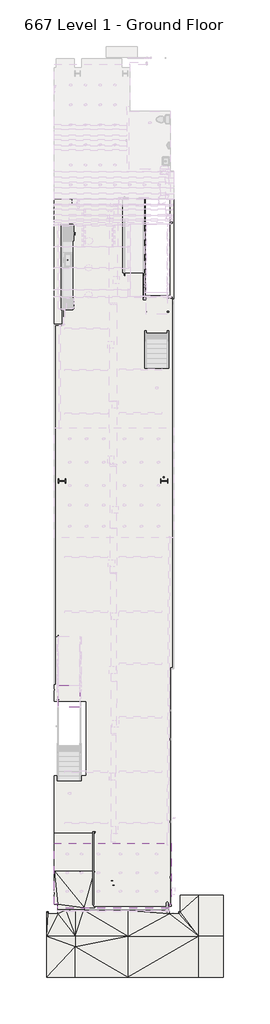
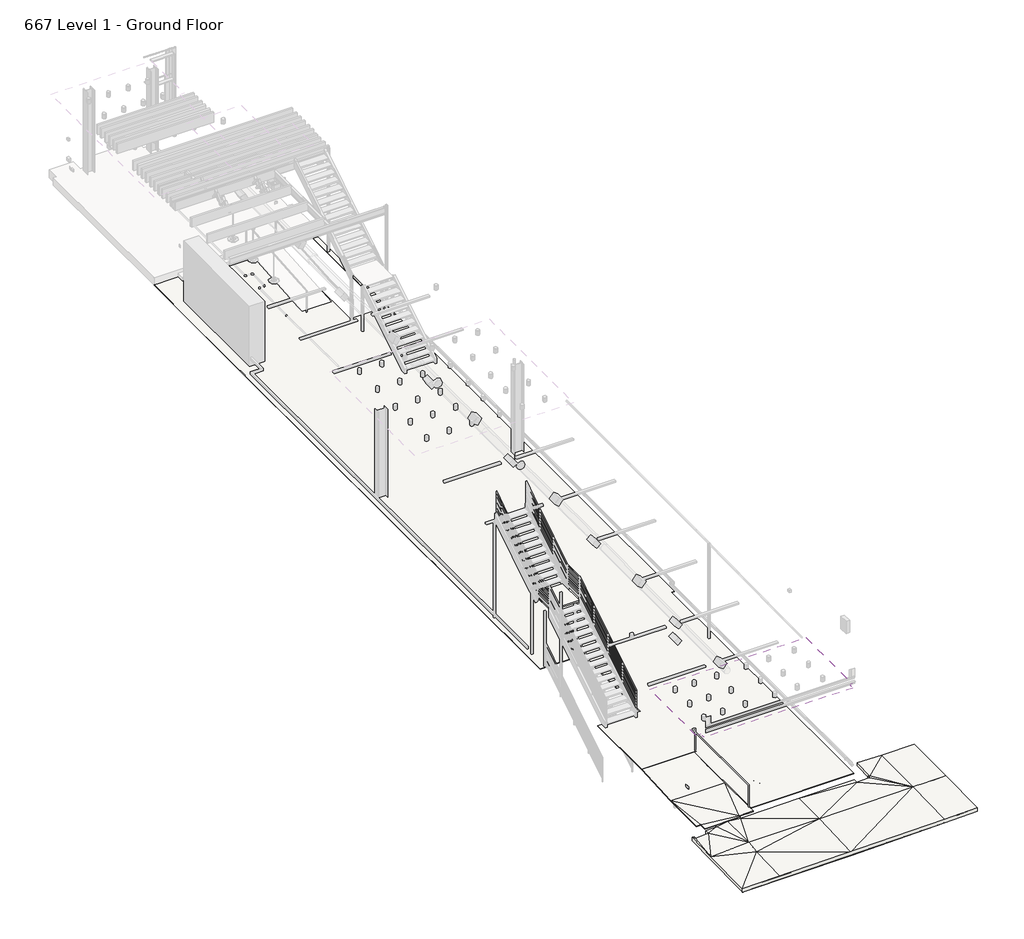
# One storey, part 7 of 16: 4 slabs, 1 covering.
"""IFC4 building model written with IfcOpenShell, lengths in millimetres."""

from ifc_helpers import new_model, si_unit, point, frame, frame_2d, origin, place, context, project, spatial, polyline, circle_curve, trimmed, segment, composite_curve, outline, extrude, faceted_brep, element, save
from ifc_brep_helpers import plane_surface, spline_surface, advanced_brep

model = new_model("IFC4")

# Units and contexts
model_context = context("Model", 3, world=origin())
ifc_project = project(units=[si_unit("LENGTHUNIT", "METRE", prefix="MILLI")], contexts=[model_context])

# Site, building, storey
site = spatial("IfcSite", under=ifc_project)
building = spatial("IfcBuilding", under=site)
storey = spatial("IfcBuildingStorey", under=building, Name="667 Level 1 - Ground Floor", Elevation=-11277.6)

# Covering
placement = place(None, origin())
element("IfcCovering", 1, at=placement, inside=storey, context=model_context, shape_type="SweptSolid", body=[
    extrude(outline(polyline([(-5477.4969605, -5492.0821957), (-5477.4969605, -8957.2811541), (-5602.0457962, -8957.2811541), (-5602.0457962, -9198.5811541), (-11973.5469605, -9198.5811541), (-11973.5469605, -8957.2811541), (-12170.3969605, -8957.2811541), (-12170.3969605, -5492.0821957), (-5477.4969605, -5492.0821957)]), holes=[composite_curve([segment(trimmed(circle_curve(frame_2d((-11421.4298286, -6096.7587959)), 75.0), [point((-11496.4298286, -6096.7587959))], [point((-11346.4298286, -6096.7587959))], True, "CARTESIAN"), True, "CONTINUOUS"), segment(trimmed(circle_curve(frame_2d((-11421.4298286, -6096.7587959)), 75.0), [point((-11346.4298286, -6096.7587959))], [point((-11496.4298286, -6096.7587959))], True, "CARTESIAN"), True, "CONTINUOUS")], self_intersect=False), composite_curve([segment(trimmed(circle_curve(frame_2d((-10608.6298286, -6096.7587959)), 75.0), [point((-10683.6298286, -6096.7587959))], [point((-10533.6298286, -6096.7587959))], True, "CARTESIAN"), True, "CONTINUOUS"), segment(trimmed(circle_curve(frame_2d((-10608.6298286, -6096.7587959)), 75.0), [point((-10533.6298286, -6096.7587959))], [point((-10683.6298286, -6096.7587959))], True, "CARTESIAN"), True, "CONTINUOUS")], self_intersect=False), composite_curve([segment(trimmed(circle_curve(frame_2d((-9643.4298286, -6096.7587959)), 75.0), [point((-9718.4298286, -6096.7587959))], [point((-9568.4298286, -6096.7587959))], True, "CARTESIAN"), True, "CONTINUOUS"), segment(trimmed(circle_curve(frame_2d((-9643.4298286, -6096.7587959)), 75.0), [point((-9568.4298286, -6096.7587959))], [point((-9718.4298286, -6096.7587959))], True, "CARTESIAN"), True, "CONTINUOUS")], self_intersect=False), composite_curve([segment(trimmed(circle_curve(frame_2d((-8386.1298286, -6096.7587959)), 75.0), [point((-8461.1298286, -6096.7587959))], [point((-8311.1298286, -6096.7587959))], True, "CARTESIAN"), True, "CONTINUOUS"), segment(trimmed(circle_curve(frame_2d((-8386.1298286, -6096.7587959)), 75.0), [point((-8311.1298286, -6096.7587959))], [point((-8461.1298286, -6096.7587959))], True, "CARTESIAN"), True, "CONTINUOUS")], self_intersect=False), composite_curve([segment(trimmed(circle_curve(frame_2d((-7420.9298286, -6096.7587959)), 75.0), [point((-7495.9298286, -6096.7587959))], [point((-7345.9298286, -6096.7587959))], True, "CARTESIAN"), True, "CONTINUOUS"), segment(trimmed(circle_curve(frame_2d((-7420.9298286, -6096.7587959)), 75.0), [point((-7345.9298286, -6096.7587959))], [point((-7495.9298286, -6096.7587959))], True, "CARTESIAN"), True, "CONTINUOUS")], self_intersect=False), composite_curve([segment(trimmed(circle_curve(frame_2d((-6328.7298286, -6096.7587959)), 75.0), [point((-6403.7298286, -6096.7587959))], [point((-6253.7298286, -6096.7587959))], True, "CARTESIAN"), True, "CONTINUOUS"), segment(trimmed(circle_curve(frame_2d((-6328.7298286, -6096.7587959)), 75.0), [point((-6253.7298286, -6096.7587959))], [point((-6403.7298286, -6096.7587959))], True, "CARTESIAN"), True, "CONTINUOUS")], self_intersect=False), composite_curve([segment(trimmed(circle_curve(frame_2d((-11421.4298286, -7169.9087959)), 75.0), [point((-11496.4298286, -7169.9087959))], [point((-11346.4298286, -7169.9087959))], True, "CARTESIAN"), True, "CONTINUOUS"), segment(trimmed(circle_curve(frame_2d((-11421.4298286, -7169.9087959)), 75.0), [point((-11346.4298286, -7169.9087959))], [point((-11496.4298286, -7169.9087959))], True, "CARTESIAN"), True, "CONTINUOUS")], self_intersect=False), composite_curve([segment(trimmed(circle_curve(frame_2d((-10608.6298286, -7169.9087959)), 75.0), [point((-10683.6298286, -7169.9087959))], [point((-10533.6298286, -7169.9087959))], True, "CARTESIAN"), True, "CONTINUOUS"), segment(trimmed(circle_curve(frame_2d((-10608.6298286, -7169.9087959)), 75.0), [point((-10533.6298286, -7169.9087959))], [point((-10683.6298286, -7169.9087959))], True, "CARTESIAN"), True, "CONTINUOUS")], self_intersect=False), composite_curve([segment(trimmed(circle_curve(frame_2d((-9643.4298286, -7169.9087959)), 75.0), [point((-9718.4298286, -7169.9087959))], [point((-9568.4298286, -7169.9087959))], True, "CARTESIAN"), True, "CONTINUOUS"), segment(trimmed(circle_curve(frame_2d((-9643.4298286, -7169.9087959)), 75.0), [point((-9568.4298286, -7169.9087959))], [point((-9718.4298286, -7169.9087959))], True, "CARTESIAN"), True, "CONTINUOUS")], self_intersect=False), composite_curve([segment(trimmed(circle_curve(frame_2d((-8386.1298286, -7169.9087959)), 75.0), [point((-8461.1298286, -7169.9087959))], [point((-8311.1298286, -7169.9087959))], True, "CARTESIAN"), True, "CONTINUOUS"), segment(trimmed(circle_curve(frame_2d((-8386.1298286, -7169.9087959)), 75.0), [point((-8311.1298286, -7169.9087959))], [point((-8461.1298286, -7169.9087959))], True, "CARTESIAN"), True, "CONTINUOUS")], self_intersect=False), composite_curve([segment(trimmed(circle_curve(frame_2d((-7420.9298286, -7169.9087959)), 75.0), [point((-7495.9298286, -7169.9087959))], [point((-7345.9298286, -7169.9087959))], True, "CARTESIAN"), True, "CONTINUOUS"), segment(trimmed(circle_curve(frame_2d((-7420.9298286, -7169.9087959)), 75.0), [point((-7345.9298286, -7169.9087959))], [point((-7495.9298286, -7169.9087959))], True, "CARTESIAN"), True, "CONTINUOUS")], self_intersect=False), composite_curve([segment(trimmed(circle_curve(frame_2d((-6328.7298286, -7169.9087959)), 75.0), [point((-6403.7298286, -7169.9087959))], [point((-6253.7298286, -7169.9087959))], True, "CARTESIAN"), True, "CONTINUOUS"), segment(trimmed(circle_curve(frame_2d((-6328.7298286, -7169.9087959)), 75.0), [point((-6253.7298286, -7169.9087959))], [point((-6403.7298286, -7169.9087959))], True, "CARTESIAN"), True, "CONTINUOUS")], self_intersect=False), composite_curve([segment(trimmed(circle_curve(frame_2d((-11421.4298286, -8217.6587959)), 75.0), [point((-11496.4298286, -8217.6587959))], [point((-11346.4298286, -8217.6587959))], True, "CARTESIAN"), True, "CONTINUOUS"), segment(trimmed(circle_curve(frame_2d((-11421.4298286, -8217.6587959)), 75.0), [point((-11346.4298286, -8217.6587959))], [point((-11496.4298286, -8217.6587959))], True, "CARTESIAN"), True, "CONTINUOUS")], self_intersect=False), composite_curve([segment(trimmed(circle_curve(frame_2d((-10608.6298286, -8217.6587959)), 75.0), [point((-10683.6298286, -8217.6587959))], [point((-10533.6298286, -8217.6587959))], True, "CARTESIAN"), True, "CONTINUOUS"), segment(trimmed(circle_curve(frame_2d((-10608.6298286, -8217.6587959)), 75.0), [point((-10533.6298286, -8217.6587959))], [point((-10683.6298286, -8217.6587959))], True, "CARTESIAN"), True, "CONTINUOUS")], self_intersect=False), composite_curve([segment(trimmed(circle_curve(frame_2d((-9643.4298286, -8217.6587959)), 75.0), [point((-9718.4298286, -8217.6587959))], [point((-9568.4298286, -8217.6587959))], True, "CARTESIAN"), True, "CONTINUOUS"), segment(trimmed(circle_curve(frame_2d((-9643.4298286, -8217.6587959)), 75.0), [point((-9568.4298286, -8217.6587959))], [point((-9718.4298286, -8217.6587959))], True, "CARTESIAN"), True, "CONTINUOUS")], self_intersect=False), composite_curve([segment(trimmed(circle_curve(frame_2d((-8386.1298286, -8217.6587959)), 75.0), [point((-8461.1298286, -8217.6587959))], [point((-8311.1298286, -8217.6587959))], True, "CARTESIAN"), True, "CONTINUOUS"), segment(trimmed(circle_curve(frame_2d((-8386.1298286, -8217.6587959)), 75.0), [point((-8311.1298286, -8217.6587959))], [point((-8461.1298286, -8217.6587959))], True, "CARTESIAN"), True, "CONTINUOUS")], self_intersect=False), composite_curve([segment(trimmed(circle_curve(frame_2d((-7420.9298286, -8217.6587959)), 75.0), [point((-7495.9298286, -8217.6587959))], [point((-7345.9298286, -8217.6587959))], True, "CARTESIAN"), True, "CONTINUOUS"), segment(trimmed(circle_curve(frame_2d((-7420.9298286, -8217.6587959)), 75.0), [point((-7345.9298286, -8217.6587959))], [point((-7495.9298286, -8217.6587959))], True, "CARTESIAN"), True, "CONTINUOUS")], self_intersect=False), composite_curve([segment(trimmed(circle_curve(frame_2d((-6328.7298286, -8217.6587959)), 75.0), [point((-6403.7298286, -8217.6587959))], [point((-6253.7298286, -8217.6587959))], True, "CARTESIAN"), True, "CONTINUOUS"), segment(trimmed(circle_curve(frame_2d((-6328.7298286, -8217.6587959)), 75.0), [point((-6253.7298286, -8217.6587959))], [point((-6403.7298286, -8217.6587959))], True, "CARTESIAN"), True, "CONTINUOUS")], self_intersect=False)]), frame((0.0, 0.0, -7289.8), z_axis=(0.0, 0.0, 1.0), x_axis=(1.0, 0.0, 0.0)), (0.0, 0.0, 1.0), 50.8),
])

# Slabs
element("IfcSlab", 2, ObjectType="Generic - 1\"", at=placement, inside=storey, context=model_context, shape_type="Brep", body=[
    faceted_brep([(-5350.4969605, 4474.7745636, -11303.0), (-5350.4969605, 4474.7745636, -11277.6), (-5477.4969605, 4474.7745636, -11277.6), (-5477.4969605, 4474.7745636, -11303.0), (-5477.4969605, -7797.1483373, -11277.6), (-5477.4969605, -8957.2811541, -11277.6), (-5477.4969605, -9071.5811541, -11277.6), (-5477.4969605, -9071.5811541, -11303.0), (-5477.4969605, -8957.2811541, -11303.0), (-5477.4969605, -7797.1483373, -11303.0), (-9909.7969605, -9071.5811541, -11277.6), (-9909.7969605, -9071.5811541, -11303.0), (-12170.3969605, -4909.9569611, -11303.0), (-12170.3969605, -4909.9569611, -11277.6), (-12170.3969605, -1630.3647256, -11277.6), (-12170.3969605, -1630.3647256, -11303.0), (-12170.3969605, 31297.2171092, -11303.0), (-12170.3969605, 31297.2171092, -11277.6), (-11992.5969605, 31297.2171092, -11277.6), (-11192.4969605, 31297.2171092, -11277.6), (-11141.6969605, 31297.2171092, -11277.6), (-9435.7540147, 31297.2171092, -11277.6), (-9321.4540147, 31297.2171092, -11277.6), (-7077.6969605, 31297.2171092, -11277.6), (-6966.2378909, 31297.2171092, -11277.6), (-6966.2378909, 31297.2171092, -11303.0), (-9321.4540147, 31297.2171092, -11303.0), (-9435.7540147, 31297.2171092, -11303.0), (-11992.5969605, 31297.2171092, -11303.0), (-6966.2378909, 25755.1812528, -11277.6), (-6966.2378909, 25755.1812528, -11303.0), (-5536.6283899, 25755.1812528, -11277.6), (-5536.6283899, 25755.1812528, -11303.0), (-5350.4969605, 31297.2171092, -11303.0), (-5350.4969605, 31297.2171092, -11277.6), (-10350.8837216, -1630.3647256, -11277.6), (-10350.8837216, -1630.3647256, -11303.0), (-10350.8837216, 2617.7852744, -11277.6), (-10350.8837216, 2617.7852744, -11303.0), (-12170.3969605, 2617.7852744, -11277.6), (-12170.3969605, 2617.7852744, -11303.0), (-12170.3969605, 24138.9188459, -11277.6), (-12170.3969605, 24189.7188459, -11277.6), (-12170.3969605, 24875.5188459, -11277.6), (-12170.3969605, 24926.3188459, -11277.6), (-12170.3969605, 25009.3220937, -11277.6), (-12170.3969605, 29828.5188459, -11277.6), (-12170.3969605, 29879.3188459, -11277.6), (-12170.3969605, 25009.3220937, -11303.0), (-9909.7969605, -4909.9569611, -11277.6), (-9909.7969605, -4909.9569611, -11303.0), (-5536.6283899, 31297.2171092, -11277.6), (-5536.6283899, 31297.2171092, -11303.0)], [[[0, 1, 2, 3]], [[3, 2, 4, 5, 6, 7, 8, 9]], [[7, 6, 10, 11]], [[12, 13, 14, 15]], [[16, 17, 18, 19, 20, 21, 22, 23, 24, 25, 26, 27, 28]], [[25, 24, 29, 30]], [[30, 29, 31, 32]], [[33, 34, 1, 0]], [[15, 14, 35, 36]], [[36, 35, 37, 38]], [[38, 37, 39, 40]], [[40, 39, 41, 42, 43, 44, 45, 46, 47, 17, 16, 48]], [[11, 10, 49, 50]], [[50, 49, 13, 12]], [[32, 31, 51, 52]], [[52, 51, 34, 33]], [[29, 24, 23, 22, 21, 20, 19, 18, 17, 47, 46, 45, 44, 43, 42, 41, 39, 37, 35, 14, 13, 49, 10, 6, 5, 4, 2, 1, 34, 51, 31]], [[30, 32, 52, 33, 0, 3, 9, 8, 7, 11, 50, 12, 15, 36, 38, 40, 48, 16, 28, 27, 26, 25]]]),
])
element("IfcSlab", 3, ObjectType="Generic - 1\"", at=placement, inside=storey, context=model_context, shape_type="Brep", body=[
    faceted_brep([(-12170.3969605, -4909.9569611, -11303.0093103), (-12170.3969605, -4909.9569611, -11277.6093103), (-9839.9469605, -4909.9569611, -11277.6093103), (-9839.9469605, -4909.9569611, -11303.0093103), (-9839.9469605, -7045.932765, -11400.8017567), (-9839.9469605, -9147.7811541, -11406.8641951), (-9839.9469605, -9147.7811541, -11432.2641951), (-9839.9469605, -7045.9311541, -11426.2296875), (-10440.0219605, -9147.7811541, -11406.8820312), (-10440.0219605, -9147.7811541, -11432.2820312), (-11973.5469605, -8957.2811541, -11432.2820312), (-11973.5469605, -8957.2811541, -11406.8820312), (-12170.3969605, -8957.2811541, -11406.8820312), (-12170.3969605, -8957.2811541, -11432.2820312), (-12170.3969605, -7045.9311541, -11400.7923225), (-12170.3969605, -7045.9306171, -11426.2016328), (-10440.0219605, -9237.9458951, -11406.8820312), (-10440.0219605, -9237.9458951, -11432.2820312), (-11973.5469605, -9237.9458951, -11406.8820312), (-11973.5469605, -9237.9458951, -11432.2820312)], [[[0, 1, 2, 3]], [[3, 2, 4, 5, 6, 7]], [[6, 5, 8, 9]], [[10, 11, 12, 13]], [[13, 12, 14, 1, 0, 15]], [[2, 1, 14, 4]], [[3, 7, 15, 0]], [[9, 8, 16, 17]], [[17, 16, 18, 19]], [[19, 18, 11, 10]], [[12, 11, 14]], [[14, 11, 8]], [[11, 18, 16, 8]], [[5, 4, 8]], [[14, 8, 4]], [[13, 15, 10]], [[15, 9, 10]], [[10, 9, 17, 19]], [[6, 9, 7]], [[15, 7, 9]]]),
])
element("IfcSlab", 4, ObjectType="Generic - 2\"", at=placement, inside=storey, context=model_context, shape_type="SweptSolid", body=[
    extrude(outline(polyline([(-10702.1997157, 2281.6451095), (-11921.3997157, 2281.6451095), (-11921.3997157, 3526.2451095), (-10702.1997157, 3526.2451095), (-10702.1997157, 2281.6451095)])), frame((0.0, 0.0, -8547.1), z_axis=(0.0, 0.0, 1.0), x_axis=(1.0, 0.0, 0.0)), (0.0, 0.0, 1.0), 50.8),
])
element("IfcSlab", 5, ObjectType="Generic - 6\"", at=placement, inside=storey, context=model_context, shape_type="AdvancedBrep", body=[
    advanced_brep(
    [(-12602.1969605, -13136.4998984, -11696.7), (-12602.1969605, -13136.4998984, -11544.3), (-12602.1969605, -10794.3628033, -11506.2), (-12602.1969605, -9389.0811541, -11493.5), (-12602.1969605, -9389.0811541, -11645.9), (-12602.1969605, -10794.3628033, -11658.6), (-12602.1969605, -12822.1748984, -11691.586814), (-12602.1969605, -13126.9748984, -11696.545055), (-11973.5469605, -9312.8811541, -11607.8), (-11973.5469605, -9312.8811541, -11455.4), (-11494.1219605, -9312.8811541, -11436.35), (-11494.1219605, -9312.8811541, -11588.75), (-4969.4969605, -8453.2569611, -11337.925), (-4969.4969605, -8453.2569611, -11490.325), (-4969.4969605, -9376.3811541, -11518.9), (-4969.4969605, -9376.3811541, -11366.5), (-3929.0178589, -8453.2569611, -11372.85), (-2531.0969605, -8453.2569611, -11353.8), (-2531.0969605, -8453.2569611, -11506.2), (-3929.0178589, -8453.2569611, -11525.25), (-2531.0969605, -10794.3628033, -11382.375), (-2531.0969605, -13136.4998984, -11410.95), (-2531.0969605, -13136.4998984, -11563.35), (-2531.0969605, -10794.3628033, -11534.775), (-3929.0178589, -13136.4998984, -11436.35), (-3929.0178589, -13136.4998984, -11588.75), (-12506.9469605, -9389.0811541, -11493.5), (-12506.9469605, -9389.0811541, -11645.9), (-12506.9469605, -9490.6811541, -11493.5), (-12506.9469605, -9490.6811541, -11645.9), (-11973.5469605, -9490.6811541, -11461.75), (-11973.5469605, -9490.6811541, -11614.15), (-11494.1219605, -9237.9458951, -11436.35), (-11494.1219605, -9237.9458951, -11588.75), (-10974.3288944, -9237.9458951, -11410.95), (-10465.4219605, -9237.9458951, -11407.775), (-10465.4219605, -9237.9458951, -11560.175), (-10974.3288944, -9237.9458951, -11563.35), (-10465.4219605, -9312.8811541, -11407.775), (-10465.4219605, -9312.8811541, -11560.175), (-10214.5969605, -9312.8811541, -11406.1821039), (-7965.6688762, -9312.8811541, -11391.9), (-5602.0457962, -9312.8811541, -11379.2), (-5602.0457962, -9312.8811541, -11515.725), (-5602.0457962, -9312.8811541, -11531.6), (-7965.6688762, -9312.8811541, -11544.3), (-5602.0457962, -9325.2557753, -11379.2), (-5602.0457962, -9490.6811541, -11379.2), (-5602.0457962, -9490.6811541, -11531.6), (-5068.6457962, -9490.6811541, -11366.5), (-5068.6457962, -9490.6811541, -11518.9), (-5068.6457962, -9376.3811541, -11366.5), (-5068.6457962, -9376.3811541, -11518.9), (-3929.0178589, -10794.3628033, -11380.7875), (-3929.0178589, -10794.3628033, -11533.1875), (-7965.6688762, -13126.9748984, -11525.25), (-7965.6688762, -13126.9748984, -11677.65), (-10974.3288944, -10794.3628033, -11439.525), (-7965.6688762, -10794.3628033, -11417.3), (-10974.3288944, -13126.9748984, -11544.3), (-10974.3288944, -11375.8760945, -11496.2062122), (-7965.6688762, -9325.2557753, -11392.1121629), (-10974.3288944, -10794.3628033, -11591.925), (-7965.6688762, -10794.3628033, -11569.7), (-10020.7674946, -9576.4061541, -11561.8693009), (-10110.0828732, -9576.4061541, -11562.5290744), (-10110.0828732, -10674.9561541, -11583.2847707), (-8948.0328732, -10674.9561541, -11574.7006963), (-8948.0328732, -10212.1636079, -11565.9568235), (-10974.3288944, -13126.9748984, -11696.7), (-10974.3288944, -12822.1748984, -11688.3286925), (-10974.3288944, -11375.8760945, -11648.6062122), (-8489.3626686, -12822.1748984, -11672.5945762), (-8948.0328732, -9576.4061541, -11555.0567632), (-12593.390171, -13126.9748984, -11696.4398119), (-12311.5729052, -12822.1748984, -11688.1137933), (-7438.2038799, -12822.1748984, -11658.7732352), (-7965.6688762, -12822.1748984, -11663.5442856), (-7801.1641496, -9325.2557753, -11391.0160985), (-8948.0328732, -9576.4061541, -11503.9994667), (-8948.0328732, -10674.9561541, -11503.9994667), (-10110.0828732, -10674.9561541, -11503.9994667), (-10110.0828732, -9576.4061541, -11503.9994667)],
    [
        (0, 1),
        (1, 2),
        (2, 3),
        (3, 4),
        (4, 5),
        (5, 6),
        (6, 7),
        (7, 0),
        (8, 9),
        (9, 10),
        (10, 11),
        (11, 8),
        (12, 13),
        (13, 14),
        (14, 15),
        (15, 12),
        (12, 16),
        (16, 17),
        (17, 18),
        (18, 19),
        (19, 13),
        (17, 20),
        (20, 21),
        (21, 22),
        (22, 23),
        (23, 18),
        (21, 24),
        (24, 1),
        (0, 25),
        (25, 22),
        (3, 26),
        (26, 27),
        (27, 4),
        (26, 28),
        (28, 29),
        (29, 27),
        (28, 30),
        (30, 31),
        (31, 29),
        (30, 9),
        (8, 31),
        (10, 32),
        (32, 33),
        (33, 11),
        (32, 34),
        (34, 35),
        (35, 36),
        (36, 37),
        (37, 33),
        (35, 38),
        (38, 39),
        (39, 36),
        (38, 40),
        (40, 41),
        (41, 42),
        (42, 43),
        (43, 44),
        (44, 45),
        (45, 39),
        (42, 46),
        (46, 47),
        (47, 48),
        (48, 44),
        (47, 49),
        (49, 50),
        (50, 48),
        (49, 51),
        (51, 52),
        (52, 50),
        (51, 15),
        (14, 52),
        (10, 34),
        (20, 53),
        (53, 24),
        (37, 11),
        (25, 54),
        (54, 23),
        (34, 38),
        (39, 37),
        (24, 55),
        (55, 1),
        (16, 53),
        (15, 16),
        (0, 56),
        (56, 25),
        (54, 19),
        (19, 14),
        (28, 2),
        (2, 30),
        (2, 57),
        (57, 30),
        (57, 58),
        (58, 38),
        (38, 57),
        (57, 10),
        (10, 30),
        (57, 34),
        (59, 55),
        (55, 60),
        (60, 59),
        (58, 61),
        (61, 41),
        (31, 5),
        (5, 29),
        (62, 5),
        (31, 62),
        (63, 62),
        (62, 39),
        (39, 64),
        (64, 65),
        (65, 66),
        (66, 67),
        (67, 68),
        (68, 63),
        (31, 11),
        (11, 62),
        (37, 62),
        (56, 69),
        (69, 70),
        (70, 71),
        (71, 72),
        (72, 56),
        (45, 63),
        (68, 73),
        (73, 64),
        (1, 59),
        (60, 1),
        (69, 0),
        (0, 74),
        (74, 75),
        (75, 71),
        (28, 3),
        (4, 29),
        (53, 55),
        (56, 76),
        (76, 54),
        (60, 2),
        (60, 57),
        (60, 58),
        (55, 58),
        (5, 71),
        (62, 71),
        (63, 71),
        (63, 77),
        (77, 56),
        (58, 47),
        (47, 78),
        (78, 41),
        (45, 48),
        (48, 63),
        (58, 53),
        (53, 47),
        (54, 63),
        (48, 54),
        (53, 49),
        (49, 15),
        (15, 53),
        (50, 54),
        (14, 50),
        (54, 14),
        (79, 80),
        (80, 81),
        (81, 82),
        (82, 79),
        (82, 65),
        (73, 79),
        (81, 66),
        (80, 67),
    ],
    [
        plane_surface(frame((-12602.1969605, -13136.4998984, -11544.3), z_axis=(-1.0, 0.0, 0.0), x_axis=(0.0, 0.0, 1.0))),
        plane_surface(frame((-11973.5469605, -9312.8811541, -11544.3), z_axis=(0.0, 1.0, 0.0), x_axis=(0.0, 0.0, 1.0))),
        plane_surface(frame((-4969.4969605, -9376.3811541, -11544.3), z_axis=(-1.0, 0.0, 0.0), x_axis=(0.0, 0.0, 1.0))),
        plane_surface(frame((-4969.4969605, -8453.2569611, -11544.3), z_axis=(0.0, 1.0, 0.0), x_axis=(0.0, 0.0, 1.0))),
        plane_surface(frame((-2531.0969605, -8453.2569611, -11544.3), z_axis=(1.0, 0.0, 0.0), x_axis=(0.0, 0.0, 1.0))),
        plane_surface(frame((-2531.0969605, -13136.4998984, -11544.3), z_axis=(0.0, -1.0, 0.0), x_axis=(0.0, 0.0, 1.0))),
        plane_surface(frame((-12602.1969605, -9389.0811541, -11544.3), z_axis=(0.0, 1.0, 0.0), x_axis=(0.0, 0.0, 1.0))),
        plane_surface(frame((-12506.9469605, -9389.0811541, -11544.3), z_axis=(1.0, 0.0, 0.0), x_axis=(0.0, 0.0, 1.0))),
        plane_surface(frame((-12506.9469605, -9490.6811541, -11544.3), z_axis=(0.0, 1.0, 0.0), x_axis=(0.0, 0.0, 1.0))),
        plane_surface(frame((-11973.5469605, -9490.6811541, -11544.3), z_axis=(-1.0, 0.0, 0.0), x_axis=(0.0, 0.0, 1.0))),
        plane_surface(frame((-11494.1219605, -9312.8811541, -11544.3), z_axis=(-1.0, 0.0, 0.0), x_axis=(0.0, 0.0, 1.0))),
        plane_surface(frame((-11494.1219605, -9237.9458951, -11544.3), z_axis=(0.0, 1.0, 0.0), x_axis=(0.0, 0.0, 1.0))),
        plane_surface(frame((-10465.4219605, -9237.9458951, -11544.3), z_axis=(1.0, 0.0, 0.0), x_axis=(0.0, 0.0, 1.0))),
        plane_surface(frame((-10465.4219605, -9312.8811541, -11544.3), z_axis=(0.0, 1.0, 0.0), x_axis=(0.0, 0.0, 1.0))),
        plane_surface(frame((-5602.0457962, -9312.8811541, -11544.3), z_axis=(1.0, 0.0, 0.0), x_axis=(0.0, 0.0, 1.0))),
        plane_surface(frame((-5602.0457962, -9490.6811541, -11544.3), z_axis=(0.0, 1.0, 0.0), x_axis=(0.0, 0.0, 1.0))),
        plane_surface(frame((-5068.6457962, -9490.6811541, -11544.3), z_axis=(-1.0, 0.0, 0.0), x_axis=(0.0, 0.0, 1.0))),
        plane_surface(frame((-5068.6457962, -9376.3811541, -11544.3), z_axis=(0.0, 1.0, 0.0), x_axis=(0.0, 0.0, 1.0))),
        plane_surface(frame((-11320.8576052, -9262.9243147, -11427.8833333), z_axis=(-0.04880736238809551, 0.0, 0.9988082105072611), x_axis=(0.0, -1.0, 0.0))),
        spline_surface(1, 1, [[(-2531.0969605, -10794.3628033, -11382.375), (-2531.0969605, -13136.4998984, -11410.95)], [(-3929.0178589, -10794.3628033, -11380.7875), (-3929.0178589, -13136.4998984, -11436.35)]], [2, 2], [2, 2], [0.0, 1.0], [0.0, 1.0]),
        plane_surface(frame((-11320.8576052, -9262.9243147, -11580.2833333), z_axis=(0.04880736238809551, 0.0, -0.9988082105072611), x_axis=(0.0, -1.0, 0.0))),
        spline_surface(1, 1, [[(-2531.0969605, -10794.3628033, -11534.775), (-3929.0178589, -10794.3628033, -11533.1875)], [(-2531.0969605, -13136.4998984, -11563.35), (-3929.0178589, -13136.4998984, -11588.75)]], [2, 2], [2, 2], [0.0, 1.0], [0.0, 1.0]),
        plane_surface(frame((-10635.0576052, -9262.9243147, -11408.8333333), z_axis=(-0.0062387403271453165, 0.0, 0.9999805388701974), x_axis=(0.0, 1.0, 0.0))),
        plane_surface(frame((-10635.0576052, -9262.9243147, -11561.2333333), z_axis=(0.0062387403271453165, 0.0, -0.9999805388701974), x_axis=(0.0, 1.0, 0.0))),
        plane_surface(frame((-8165.6278985, -13133.3248984, -11501.9666667), z_axis=(-0.0029776129334573025, 0.9709572396719532, 0.23923455550952416), x_axis=(0.999922552355541, 0.0, 0.012445452614534013))),
        spline_surface(1, 1, [[(-3929.0178589, -8453.2569611, -11372.85), (-2531.0969605, -8453.2569611, -11353.8)], [(-3929.0178589, -10794.3628033, -11380.7875), (-2531.0969605, -10794.3628033, -11382.375)]], [2, 2], [2, 2], [0.0, 1.0], [0.0, 1.0]),
        plane_surface(frame((-4622.6705933, -8760.9650254, -11359.0916667), z_axis=(0.03353133134577877, -0.030922446742363184, 0.9989591844042705), x_axis=(0.0, -0.9995212483865679, -0.030939845244553957))),
        plane_surface(frame((-8165.6278985, -13133.3248984, -11654.3666667), z_axis=(0.0029776129334573025, -0.9709572396719532, -0.23923455550952416), x_axis=(0.999922552355541, 0.0, 0.012445452614534013))),
        spline_surface(1, 1, [[(-3929.0178589, -8453.2569611, -11525.25), (-3929.0178589, -10794.3628033, -11533.1875)], [(-2531.0969605, -8453.2569611, -11506.2), (-2531.0969605, -10794.3628033, -11534.775)]], [2, 2], [2, 2], [0.0, 1.0], [0.0, 1.0]),
        plane_surface(frame((-4622.6705933, -8760.9650254, -11511.4916667), z_axis=(-0.03353133134577877, 0.030922446742363184, -0.9989591844042705), x_axis=(0.0, -0.9995212483865679, -0.030939845244553957))),
        plane_surface(frame((-12360.8969605, -9925.2417038, -11487.15), z_axis=(-0.05941777907190105, -0.0053830886477943905, 0.9982186884078923), x_axis=(-0.9982331517348169, 0.0, -0.05941863998421799))),
        plane_surface(frame((-11850.0242718, -10359.8022536, -11469.1583333), z_axis=(-0.040919963223405936, -0.014331616974283352, 0.9990596385425137), x_axis=(-0.4341444993771358, -0.9003200778517999, -0.03069708581454249))),
        plane_surface(frame((-9801.806577, -10300.5355869, -11421.5333333), z_axis=(-0.007385489896532744, -0.018889833570420383, 0.9997942932056924), x_axis=(-0.3248118647676968, -0.9455615262825715, -0.020264563165913144))),
        plane_surface(frame((-11480.6659385, -9865.9750372, -11445.875), z_axis=(-0.04611989436527194, -0.01832212319344608, 0.9987678684986919), x_axis=(-0.936444237778644, -0.34729057824903814, -0.04961293974985897))),
        plane_surface(frame((-11147.5932498, -9781.7299508, -11428.9416667), z_axis=(-0.04616178137710478, -0.018336814957168452, 0.9987656637857146), x_axis=(0.3310728262246556, -0.9436030384669303, -0.0020222590328661835))),
        plane_surface(frame((-11813.7386272, -9372.1478208, -11451.1666667), z_axis=(-0.039678510751532364, -0.0356634233540473, 0.9985758539135676), x_axis=(-0.9992114945330762, 0.0, -0.03970376799469165))),
        plane_surface(frame((-10804.6932498, -9781.7299508, -11419.4166667), z_axis=(-0.008940384232348803, -0.018355649656388435, 0.9997915481016381), x_axis=(-0.9893134082103605, 0.1456738974939098, -0.006172189573770013))),
        plane_surface(frame((-9971.4422217, -12543.2752971, -11521.9187374), z_axis=(-0.006329208887348719, -0.027454016796407202, 0.9996030302458087), x_axis=(0.9999799552484946, 0.0, 0.006331595471827317))),
        plane_surface(frame((-8798.9199043, -9806.7083705, -11405.6583333), z_axis=(-0.006349566045367098, -0.017142133150005057, 0.9998329011800438), x_axis=(0.8602648011588765, -0.509836961238273, -0.0032779326415538646))),
        plane_surface(frame((-12360.8969605, -9925.2417038, -11639.55), z_axis=(0.05941777907190105, 0.0053830886477943905, -0.9982186884078923), x_axis=(-0.9982331517348169, 0.0, -0.05941863998421799))),
        plane_surface(frame((-11850.0242718, -10359.8022536, -11621.5583333), z_axis=(0.040919963223405936, 0.014331616974283352, -0.9990596385425137), x_axis=(-0.4341444993771358, -0.9003200778517999, -0.03069708581454249))),
        plane_surface(frame((-9801.806577, -10300.5355869, -11573.9333333), z_axis=(0.007385489896532744, 0.018889833570420383, -0.9997942932056924), x_axis=(-0.3248118647676968, -0.9455615262825715, -0.020264563165913144))),
        plane_surface(frame((-11480.6659385, -9865.9750372, -11598.275), z_axis=(0.04611989436527194, 0.01832212319344608, -0.9987678684986919), x_axis=(-0.936444237778644, -0.34729057824903814, -0.04961293974985897))),
        plane_surface(frame((-11147.5932498, -9781.7299508, -11581.3416667), z_axis=(0.04616178137710478, 0.018336814957168452, -0.9987656637857146), x_axis=(0.3310728262246556, -0.9436030384669303, -0.0020222590328661835))),
        plane_surface(frame((-11813.7386272, -9372.1478208, -11603.5666667), z_axis=(0.039678510751532364, 0.0356634233540473, -0.9985758539135676), x_axis=(-0.9992114945330762, 0.0, -0.03970376799469165))),
        plane_surface(frame((-10804.6932498, -9781.7299508, -11571.8166667), z_axis=(0.008940384232348803, 0.018355649656388435, -0.9997915481016381), x_axis=(-0.9893134082103605, 0.1456738974939098, -0.006172189573770013))),
        plane_surface(frame((-9971.4422217, -12543.2752971, -11674.3187374), z_axis=(0.006329208887348719, 0.027454016796407202, -0.9996030302458087), x_axis=(0.9999799552484946, 0.0, 0.006331595471827317))),
        plane_surface(frame((-8798.9199043, -9806.7083705, -11558.0583333), z_axis=(0.006349566045367098, 0.017142133150005057, -0.9998329011800438), x_axis=(0.8602648011588765, -0.509836961238273, -0.0032779326415538646))),
        plane_surface(frame((-11516.9515831, -12546.4502971, -11528.2687374), z_axis=(0.00016064246844969582, -0.027454566347335126, 0.999623039440707), x_axis=(0.99998288210279, 0.005851111125054278, 0.0))),
        plane_surface(frame((-10514.0649104, -13130.1498984, -11537.95), z_axis=(-0.004297236126043483, 0.7344182112687745, 0.6786835969127666), x_axis=(0.9999894493961954, 0.0020543172244813137, 0.004108634448968232))),
        plane_surface(frame((-11516.9515831, -12546.4502971, -11680.6687374), z_axis=(-0.00016064246844969582, 0.027454566347335126, -0.999623039440707), x_axis=(0.99998288210279, 0.005851111125054278, 0.0))),
        plane_surface(frame((-10514.0649104, -13130.1498984, -11690.35), z_axis=(0.004297236126043483, -0.7344182112687745, -0.6786835969127666), x_axis=(0.9999894493961954, 0.0020543172244813137, 0.004108634448968232))),
        plane_surface(frame((-12570.4469605, -9891.3750372, -11497.7333333), z_axis=(-0.009638981771269067, -0.009036545410570246, 0.9999127116290982), x_axis=(-0.6839411288815512, 0.7295372041398777, 0.0))),
        plane_surface(frame((-12538.6969605, -9422.9478208, -11493.5), z_axis=(0.0, 0.0, 1.0), x_axis=(0.0, 1.0, 0.0))),
        plane_surface(frame((-12570.4469605, -9891.3750372, -11650.1333333), z_axis=(0.009638981771269067, 0.009036545410570246, -0.9999127116290982), x_axis=(-0.6839411288815512, 0.7295372041398777, 0.0))),
        plane_surface(frame((-12538.6969605, -9422.9478208, -11645.9), z_axis=(0.0, 0.0, -1.0), x_axis=(0.0, 1.0, 0.0))),
        plane_surface(frame((-5274.568198, -12352.6125333, -11447.4625), z_axis=(-0.022067598798977708, -0.023710544206183373, 0.9994752779217173), x_axis=(0.9997547954740237, -0.002359050704691764, 0.0220178065770829))),
        plane_surface(frame((-5274.568198, -12352.6125333, -11599.8625), z_axis=(0.022067598798977708, 0.023710544206183373, -0.9994752779217173), x_axis=(0.9997547954740237, -0.002359050704691764, 0.0220178065770829))),
        plane_surface(frame((-12059.5742718, -11768.912932, -11515.5687374), z_axis=(-0.011947783928865235, -0.016263881786653698, 0.9997963475670528), x_axis=(0.6787461244225879, 0.7340991621498252, 0.020052897851477132))),
        plane_surface(frame((-11516.9515831, -10988.200567, -11480.6437374), z_axis=(-0.040731456016838904, -0.0969316485075172, 0.9944572409150448), x_axis=(0.9417020139420573, -0.33639841509048163, 0.005781285504566249))),
        plane_surface(frame((-9971.4422217, -10988.200567, -11451.0104041), z_axis=(-0.00735196768359687, -0.09700953413655329, 0.9952562980749171), x_axis=(0.0, -0.9952831966778298, -0.09701215599480481))),
        plane_surface(frame((-8968.5555489, -11765.737932, -11479.5854041), z_axis=(-0.017260597567356997, -0.04622222538191876, 0.9987820471215734), x_axis=(0.0, 0.9989308630576696, 0.04622911237368891))),
        plane_surface(frame((-12059.5742718, -11768.912932, -11667.9687374), z_axis=(0.011947783928865235, 0.016263881786653698, -0.9997963475670528), x_axis=(0.6787461244225879, 0.7340991621498252, 0.020052897851477132))),
        plane_surface(frame((-11516.9515831, -10988.200567, -11633.0437374), z_axis=(0.040731456016838904, 0.0969316485075172, -0.9944572409150448), x_axis=(0.9417020139420573, -0.33639841509048163, 0.005781285504566249))),
        plane_surface(frame((-9971.4422217, -10988.200567, -11603.4104041), z_axis=(0.00735196768359687, 0.09700953413655329, -0.9952562980749171), x_axis=(0.0, -0.9952831966778298, -0.09701215599480481))),
        plane_surface(frame((-8968.5555489, -11765.737932, -11631.9854041), z_axis=(0.017260597567356997, 0.04622222538191876, -0.9987820471215734), x_axis=(0.0, 0.9989308630576696, 0.04622911237368891))),
        plane_surface(frame((-7177.7945162, -9865.9750372, -11396.1333333), z_axis=(-0.006661687000339197, -0.017142098340738758, 0.9998308708930658), x_axis=(-0.9971683503384812, 0.07501049308368443, -0.005357892363122144))),
        plane_surface(frame((-6389.9201562, -9372.1478208, -11383.4333333), z_axis=(-0.0053730295602055535, 0.0, 0.9999855651724905), x_axis=(0.0, 1.0, 0.0))),
        plane_surface(frame((-7177.7945162, -9865.9750372, -11548.5333333), z_axis=(0.006661687000339197, 0.017142098340738758, -0.9998308708930658), x_axis=(-0.9971683503384812, 0.07501049308368443, -0.005357892363122144))),
        plane_surface(frame((-6389.9201562, -9372.1478208, -11535.8333333), z_axis=(0.0053730295602055535, 0.0, -0.9999855651724905), x_axis=(0.0, 1.0, 0.0))),
        plane_surface(frame((-5832.2441771, -10359.8022536, -11392.4291667), z_axis=(-0.0090441318682692, -0.012823981852598487, 0.9998768670032294), x_axis=(-0.8755509907717733, -0.4829195353952795, -0.014113287787527589))),
        plane_surface(frame((-6620.1185371, -11571.9001683, -11441.1125), z_axis=(-0.009035206213317392, -0.046227225379507915, 0.9988900883893059), x_axis=(0.8654195242757409, 0.5000898123200322, 0.030971383825483468))),
        plane_surface(frame((-5832.2441771, -10359.8022536, -11544.8291667), z_axis=(0.0090441318682692, 0.012823981852598487, -0.9998768670032294), x_axis=(-0.8755509907717733, -0.4829195353952795, -0.014113287787527589))),
        plane_surface(frame((-6620.1185371, -11571.9001683, -11593.5125), z_axis=(0.009035206213317392, 0.046227225379507915, -0.9988900883893059), x_axis=(0.8654195242757409, 0.5000898123200322, 0.030971383825483468))),
        plane_surface(frame((-4866.5698171, -9925.2417038, -11375.4958333), z_axis=(-0.023790779319372072, -0.03174769598756464, 0.9992127314135154), x_axis=(-0.9997166737441362, 0.0, -0.023802777946291615))),
        plane_surface(frame((-5035.5961843, -9414.4811541, -11366.5), z_axis=(0.0, 0.0, 1.0), x_axis=(-1.0, 0.0, 0.0))),
        plane_surface(frame((-4275.8442261, -9541.3336395, -11373.3791667), z_axis=(0.009110607802554606, -0.003390331530952525, 0.9999527501225138), x_axis=(0.5915755378186864, -0.8062086546734368, -0.008123311158574556))),
        plane_surface(frame((-4655.7202052, -9887.1417038, -11371.2625), z_axis=(0.0062924523481806246, -0.005458349291809667, 0.9999653051313602), x_axis=(-0.6552657509121356, -0.7553984350536842, 0.0))),
        plane_surface(frame((-4866.5698171, -9925.2417038, -11527.8958333), z_axis=(0.023790779319372072, 0.03174769598756464, -0.9992127314135154), x_axis=(-0.9997166737441362, 0.0, -0.023802777946291615))),
        plane_surface(frame((-5035.5961843, -9414.4811541, -11518.9), z_axis=(0.0, 0.0, -1.0), x_axis=(-1.0, 0.0, 0.0))),
        plane_surface(frame((-4275.8442261, -9541.3336395, -11525.7791667), z_axis=(-0.009110607802554606, 0.003390331530952525, -0.9999527501225138), x_axis=(0.5915755378186864, -0.8062086546734368, -0.008123311158574556))),
        plane_surface(frame((-4655.7202052, -9887.1417038, -11523.6625), z_axis=(-0.0062924523481806246, 0.005458349291809667, -0.9999653051313602), x_axis=(-0.6552657509121356, -0.7553984350536842, 0.0))),
        plane_surface(frame((-9973.5660714, -9576.4061541, -11503.9994667), z_axis=(0.0, 0.0, -1.0), x_axis=(-1.0, 0.0, 0.0))),
        plane_surface(frame((-8948.0328732, -9576.4061541, -11503.9994667), z_axis=(0.0, -1.0, 0.0), x_axis=(0.0, 0.0, -1.0))),
        plane_surface(frame((-10110.0828732, -9576.4061541, -11503.9994667), z_axis=(1.0, 0.0, 0.0), x_axis=(0.0, 0.0, -1.0))),
        plane_surface(frame((-10110.0828732, -10674.9561541, -11503.9994667), z_axis=(0.0, 1.0, 0.0), x_axis=(0.0, 0.0, -1.0))),
        plane_surface(frame((-8948.0328732, -10674.9561541, -11503.9994667), z_axis=(-1.0, 0.0, 0.0), x_axis=(0.0, 0.0, -1.0))),
    ],
    [
        (0, [[1, 2, 3, 4, 5, 6, 7, 8]]),
        (1, [[9, 10, 11, 12]]),
        (2, [[13, 14, 15, 16]]),
        (3, [[-13, 17, 18, 19, 20, 21]]),
        (4, [[-19, 22, 23, 24, 25, 26]]),
        (5, [[-24, 27, 28, -1, 29, 30]]),
        (6, [[-4, 31, 32, 33]]),
        (7, [[-32, 34, 35, 36]]),
        (8, [[-35, 37, 38, 39]]),
        (9, [[-38, 40, -9, 41]]),
        (10, [[-11, 42, 43, 44]]),
        (11, [[-43, 45, 46, 47, 48, 49]]),
        (12, [[-47, 50, 51, 52]]),
        (13, [[-51, 53, 54, 55, 56, 57, 58, 59]]),
        (14, [[-57, -56, 60, 61, 62, 63]]),
        (15, [[-62, 64, 65, 66]]),
        (16, [[-65, 67, 68, 69]]),
        (17, [[-68, 70, -15, 71]]),
        (18, [[-42, 72, -45]]),
        (19, [[-23, 73, 74, -27]]),
        (20, [[-44, -49, 75]]),
        (21, [[-25, -30, 76, 77]]),
        (22, [[-50, -46, 78]]),
        (23, [[-52, 79, -48]]),
        (24, [[-28, 80, 81]]),
        (25, [[-22, -18, 82, -73]]),
        (26, [[-16, 83, -17]]),
        (27, [[-29, 84, 85]]),
        (28, [[-26, -77, 86, -20]]),
        (29, [[-14, -21, 87]]),
        (30, [[-37, 88, 89]]),
        (31, [[90, 91, -89]]),
        (32, [[92, 93, 94]]),
        (33, [[-91, 95, 96]]),
        (34, [[97, -72, -95]]),
        (35, [[-10, -40, -96]]),
        (36, [[-97, -94, -78]]),
        (37, [[98, 99, 100]]),
        (38, [[101, 102, -54, -53, -93]]),
        (39, [[-39, 103, 104]]),
        (40, [[105, -103, 106]]),
        (41, [[107, 108, 109, 110, 111, 112, 113, 114]]),
        (42, [[-106, 115, 116]]),
        (43, [[117, -116, -75]]),
        (44, [[-12, -115, -41]]),
        (45, [[-117, -79, -108]]),
        (46, [[118, 119, 120, 121, 122]]),
        (47, [[123, -114, 124, 125, -109, -59]]),
        (48, [[126, -100, 127]]),
        (49, [[-98, -126, -81]]),
        (50, [[128, 129, 130, 131, -120, -119]]),
        (51, [[-118, -84, -128]]),
        (52, [[-3, -88, 132]]),
        (53, [[-34, -31, -132]]),
        (54, [[-5, 133, -104]]),
        (55, [[-36, -133, -33]]),
        (56, [[-74, 134, -80]]),
        (57, [[-76, -85, 135, 136]]),
        (58, [[-2, -127, 137]]),
        (59, [[-90, -137, 138]]),
        (60, [[-92, -138, 139]]),
        (61, [[140, -139, -99]]),
        (62, [[-8, -7, -6, 141, -131, -130, -129]]),
        (63, [[-105, 142, -141]]),
        (64, [[-107, 143, -142]]),
        (65, [[144, 145, -122, -121, -143]]),
        (66, [[-102, -101, 146, 147, 148]]),
        (67, [[-61, -60, -55, -148, -147]]),
        (68, [[-123, 149, 150]]),
        (69, [[-63, -149, -58]]),
        (70, [[151, 152, -146]]),
        (71, [[-140, -134, -151]]),
        (72, [[153, -150, 154]]),
        (73, [[-153, -136, -135, -145, -144]]),
        (74, [[-64, -152, 155]]),
        (75, [[-70, -67, 156]]),
        (76, [[-82, -83, 157]]),
        (77, [[-155, -157, -156]]),
        (78, [[-66, 158, -154]]),
        (79, [[-71, 159, -69]]),
        (80, [[-86, 160, -87]]),
        (81, [[-158, -159, -160]]),
        (82, [[161, 162, 163, 164]]),
        (83, [[-164, 165, -110, -125, 166]]),
        (84, [[-163, 167, -111, -165]]),
        (85, [[-162, 168, -112, -167]]),
        (86, [[-161, -166, -124, -113, -168]]),
    ],
),
])

save(model, "model.ifc")
